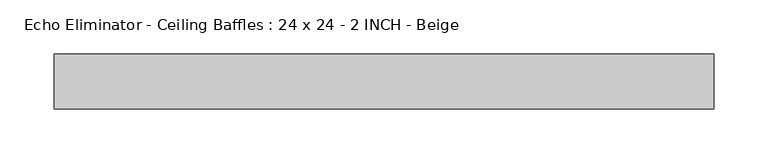
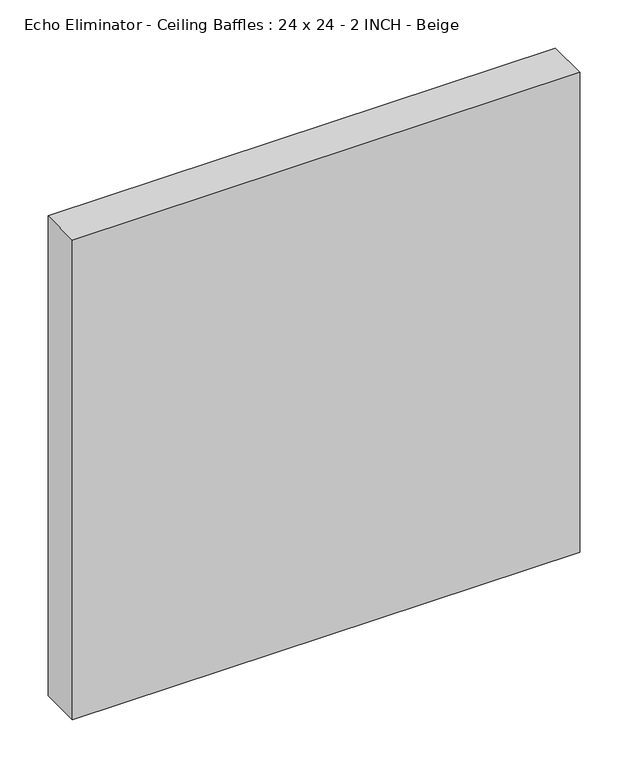
"""IFC4 building model written with IfcOpenShell, lengths in millimetres: proxy geometry, Echo Eliminator - Ceiling Baffles : 24 x 24 - 2 INCH - Beige."""

import ifcopenshell
import ifcopenshell.guid

model = None  # the IFC model being written
_history = None  # IfcOwnerHistory: only IFC2X3 demands one
_inside = {}  # id of a spatial element -> (the spatial element, [elements in it])
_under = {}  # id of a project, library or spatial element -> (it, [spatial elements below it])
_declared = {}  # id of a project -> (the project, [libraries it declares])
_typed = {}  # id of a type object -> (the type object, [elements of that type])
_made_of = {}  # id of a material, layer set ... -> (it, [elements and type objects made of it])


def new_model(schema):
    """Start an empty IFC model of exactly this schema.

    Asked for "IFC4X3", IfcOpenShell would pick the latest addendum, in which some entities
    have other attributes; the version numbers below select the first issue.
    IFC2X3 requires an IfcOwnerHistory on every rooted entity: one is made here for all.
    """
    global model, _history
    if schema == "IFC4X3":
        model = ifcopenshell.file(schema_version=(4, 3, 0, 0))
    else:
        model = ifcopenshell.file(schema=schema)
    _inside.clear()
    _under.clear()
    _declared.clear()
    _typed.clear()
    _made_of.clear()
    _history = None
    if model.schema == "IFC2X3":
        org = make("IfcOrganization", Name="unknown")
        user = make(
            "IfcPersonAndOrganization",
            ThePerson=make("IfcPerson", FamilyName="unknown"),
            TheOrganization=org,
        )
        app = make(
            "IfcApplication",
            ApplicationDeveloper=org,
            Version="unknown",
            ApplicationFullName="unknown",
            ApplicationIdentifier="unknown",
        )
        _history = make(
            "IfcOwnerHistory",
            OwningUser=user,
            OwningApplication=app,
            ChangeAction="ADDED",
            CreationDate=0,
        )
    return model


def make(cls, **values):
    """One entity of the class cls with the attributes given. An attribute that is None is left unset."""
    return model.create_entity(
        cls, **{name: value for name, value in values.items() if value is not None}
    )


def rooted(cls, **values):
    """An entity with a GlobalId (a new one), such as an element, a storey or a relation."""
    return make(cls, GlobalId=ifcopenshell.guid.new(), OwnerHistory=_history, **values)


def si_unit(unit_type, name, prefix=None):
    """IfcSIUnit, for example si_unit("LENGTHUNIT", "METRE", prefix="MILLI")."""
    return make("IfcSIUnit", UnitType=unit_type, Prefix=prefix, Name=name)


def assignment(units):
    """IfcUnitAssignment: the units of a project."""
    return None if units is None else make("IfcUnitAssignment", Units=units)


def point(xyz):
    """IfcCartesianPoint."""
    return None if xyz is None else make("IfcCartesianPoint", Coordinates=xyz)


def direction(xyz):
    """IfcDirection."""
    return None if xyz is None else make("IfcDirection", DirectionRatios=xyz)


def frame(location, z_axis=None, x_axis=None):
    """IfcAxis2Placement3D, a coordinate frame: its origin and axes. An axis left out is left unset."""
    return make(
        "IfcAxis2Placement3D",
        Location=point(location),
        Axis=direction(z_axis),
        RefDirection=direction(x_axis),
    )


def origin():
    """The frame at (0, 0, 0) with its axes left unset."""
    return frame((0.0, 0.0, 0.0))


def origin_with_axes():
    """The frame at (0, 0, 0) with the z axis (0, 0, 1) and the x axis (1, 0, 0) written out."""
    return frame((0.0, 0.0, 0.0), z_axis=(0.0, 0.0, 1.0), x_axis=(1.0, 0.0, 0.0))


def place(relative_to, where):
    """IfcLocalPlacement: puts the frame where relative to a parent placement (None: the world)."""
    return make(
        "IfcLocalPlacement", PlacementRelTo=relative_to, RelativePlacement=where
    )


def context(
    kind, dimensions, precision=None, world=None, true_north=None, identifier=None
):
    """IfcGeometricRepresentationContext, for example the 3D "Model" context."""
    return make(
        "IfcGeometricRepresentationContext",
        ContextIdentifier=identifier,
        ContextType=kind,
        CoordinateSpaceDimension=dimensions,
        Precision=precision,
        WorldCoordinateSystem=world,
        TrueNorth=true_north,
    )


def project(units=None, contexts=None):
    """IfcProject with its units and contexts."""
    return rooted(
        "IfcProject",
        Name="project",
        RepresentationContexts=contexts,
        UnitsInContext=assignment(units),
    )


def spatial(cls, under=None, at=None, **own):
    """A site, building, storey or space (cls), placed at a placement, below another one or the project."""
    s = rooted(cls, ObjectPlacement=at, **own)
    if under is not None:
        _under.setdefault(under.id(), (under, []))[1].append(s)
    return s


def polyline(points):
    """IfcPolyline through the points."""
    return make("IfcPolyline", Points=[point(p) for p in points])


def outline(outer, holes=None, kind="AREA"):
    """IfcArbitraryClosedProfileDef: a profile drawn as a closed curve; with holes, ...WithVoids."""
    if holes is None:
        return make("IfcArbitraryClosedProfileDef", ProfileType=kind, OuterCurve=outer)
    return make(
        "IfcArbitraryProfileDefWithVoids",
        ProfileType=kind,
        OuterCurve=outer,
        InnerCurves=holes,
    )


def extrude(swept, where, along, depth):
    """IfcExtrudedAreaSolid: the profile swept, set in the frame where, extruded along a direction by depth."""
    return make(
        "IfcExtrudedAreaSolid",
        SweptArea=swept,
        Position=where,
        ExtrudedDirection=direction(along),
        Depth=depth,
    )


def shape(context_of_items, identifier, shape_type, items):
    """IfcShapeRepresentation: the items that make up one representation, for example the "Body"."""
    return make(
        "IfcShapeRepresentation",
        ContextOfItems=context_of_items,
        RepresentationIdentifier=identifier,
        RepresentationType=shape_type,
        Items=items,
    )


def source(mapping_origin, context_of_items, identifier, shape_type, items):
    """IfcRepresentationMap: a shape defined once, which mapped items show again and again."""
    return make(
        "IfcRepresentationMap",
        MappingOrigin=mapping_origin,
        MappedRepresentation=shape(context_of_items, identifier, shape_type, items),
    )


def transform(
    local_origin,
    x_axis=None,
    y_axis=None,
    z_axis=None,
    scale=None,
    scale2=None,
    scale3=None,
    uniform=True,
):
    """IfcCartesianTransformationOperator3D, or its non-uniform kind. x_axis, y_axis, z_axis: its Axis1, 2, 3."""
    if uniform:
        return make(
            "IfcCartesianTransformationOperator3D",
            Axis1=direction(x_axis),
            Axis2=direction(y_axis),
            LocalOrigin=point(local_origin),
            Scale=scale,
            Axis3=direction(z_axis),
        )
    return make(
        "IfcCartesianTransformationOperator3DnonUniform",
        Axis1=direction(x_axis),
        Axis2=direction(y_axis),
        LocalOrigin=point(local_origin),
        Scale=scale,
        Axis3=direction(z_axis),
        Scale2=scale2,
        Scale3=scale3,
    )


def mapped(mapping_source, mapping_target):
    """IfcMappedItem: shows the shape of a source again, moved by a transform."""
    return make(
        "IfcMappedItem", MappingSource=mapping_source, MappingTarget=mapping_target
    )


def made_of(thing, what):
    """Note that an element or type object is made of a material, layer set ...; save() writes the relation."""
    if what is not None:
        _made_of.setdefault(what.id(), (what, []))[1].append(thing)
    return thing


def element(
    cls,
    number,
    at=None,
    inside=None,
    cuts=None,
    type_object=None,
    material=None,
    context=None,
    identifier="Body",
    shape_type=None,
    held_by="IfcProductDefinitionShape",
    body=None,
    shapes=None,
    **own,
):
    """One element of the class cls, such as IfcWall. Its Tag is "e" and its number.

    at: its placement. inside: the storey or other place that contains it. cuts: it is an
    opening in that element (IfcRelVoidsElement). A single representation is given by context,
    identifier, shape_type and body (its items); several are given by shapes. held_by: the class
    of the entity that holds the representations. save() writes the other relations.
    """
    e = rooted(cls, Tag="e%d" % number, ObjectPlacement=at, **own)
    if body is not None:
        shapes = [shape(context, identifier, shape_type, body)]
    if shapes is not None:
        e.Representation = make(held_by, Representations=shapes)
    if inside is not None:
        _inside.setdefault(inside.id(), (inside, []))[1].append(e)
    if cuts is not None:
        rooted(
            "IfcRelVoidsElement", RelatingBuildingElement=cuts, RelatedOpeningElement=e
        )
    if type_object is not None:
        _typed.setdefault(type_object.id(), (type_object, []))[1].append(e)
    return made_of(e, material)


def aggregate(whole, parts):
    """IfcRelAggregates: a whole, such as a stair, and the parts it consists of."""
    return rooted("IfcRelAggregates", RelatingObject=whole, RelatedObjects=parts)


def save(model, path):
    """Write the relations noted so far, then the file.

    IfcRelAggregates (storeys below a building ...), IfcRelContainedInSpatialStructure (elements
    in a storey), IfcRelDefinesByType, IfcRelAssociatesMaterial and IfcRelDeclares: one each for
    every whole, place, type object, material and project.
    """
    for whole, parts in _under.values():
        aggregate(whole, parts)
    for where, things in _inside.values():
        rooted(
            "IfcRelContainedInSpatialStructure",
            RelatedElements=things,
            RelatingStructure=where,
        )
    for kind, things in _typed.values():
        rooted("IfcRelDefinesByType", RelatedObjects=things, RelatingType=kind)
    for what, things in _made_of.values():
        rooted("IfcRelAssociatesMaterial", RelatedObjects=things, RelatingMaterial=what)
    for by, libraries in _declared.values():
        rooted("IfcRelDeclares", RelatingContext=by, RelatedDefinitions=libraries)
    model.write(path)


def echo_eliminator_ceiling_baffles_24_x_24_2_inch_beige_5863c3b2(model_context):
    return source(origin(), model_context, "Body", "SweptSolid", [
        extrude(outline(polyline([(304.8, -50.8), (-304.8, -50.8), (-304.8, 0.0), (304.8, 0.0), (304.8, -50.8)])), origin_with_axes(), (0.0, 0.0, 1.0), 609.6),
    ])


if __name__ == "__main__":
    model = new_model("IFC4")
    model_context = context("Model", 3, world=origin())
    ifc_project = project(units=[si_unit("LENGTHUNIT", "METRE", prefix="MILLI")], contexts=[model_context])
    site = spatial("IfcSite", under=ifc_project)
    building = spatial("IfcBuilding", under=site)
    placement = place(None, origin())
    echo_eliminator_ceiling_baffles_24_x_24_2_inch_beige_shape = echo_eliminator_ceiling_baffles_24_x_24_2_inch_beige_5863c3b2(model_context)
    element("IfcBuildingElementProxy", 1, Name="Echo Eliminator - Ceiling Baffles : 24 x 24 - 2 INCH - Beige", ObjectType="Echo Eliminator - Ceiling Baffles : 24 x 24 - 2 INCH - Beige", at=placement, inside=building, context=model_context, shape_type="MappedRepresentation", body=[
        mapped(echo_eliminator_ceiling_baffles_24_x_24_2_inch_beige_shape, transform((0.0, 0.0, 0.0), x_axis=(1.0, 0.0, 0.0), y_axis=(0.0, 1.0, 0.0), z_axis=(0.0, 0.0, 1.0))),
    ])
    save(model, "model.ifc")
